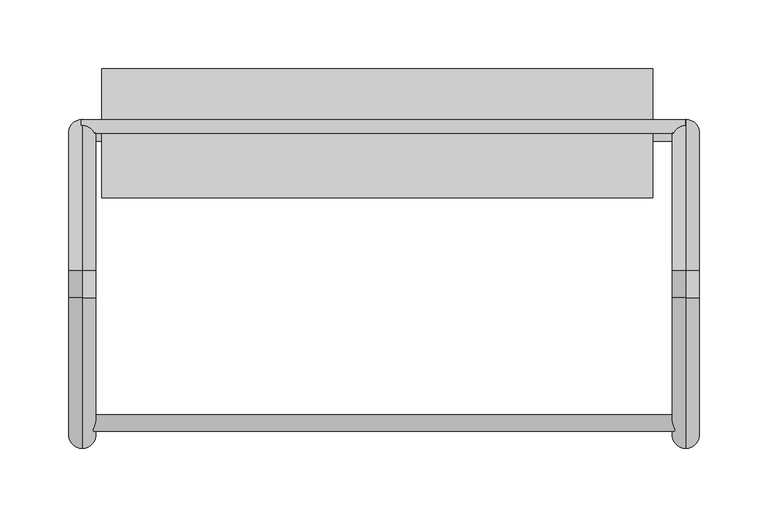
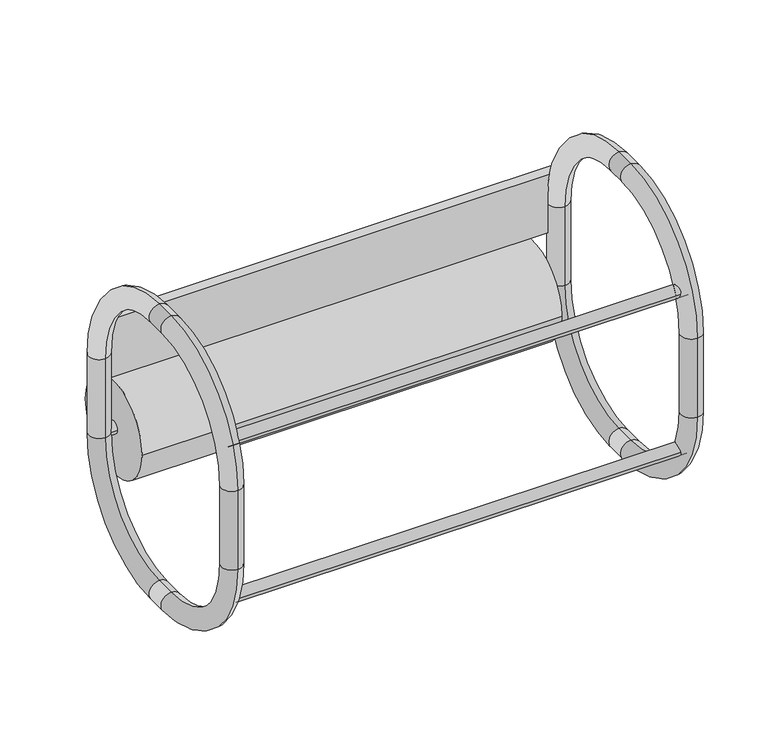
"""IFC4 building model written with IfcOpenShell, lengths in millimetres: proxy geometry."""

from ifc_helpers import new_model, si_unit, point, frame, origin, place, context, project, spatial, circle_curve, ellipse_curve, trimmed, faceted_brep, source, transform, mapped, element, save
from ifc_brep_helpers import plane_surface, cylinder_surface, revolved_surface, advanced_brep


def generic_models_d69f1cd1(model_context):
    return source(origin(), model_context, "Body", "SolidModel", [
        advanced_brep(
        [(-96.1961213, 340.9139359, 1290.2545386), (-96.1961213, 230.9139359, 1180.2545386), (-96.1961213, 230.9139359, 1200.2545386), (-96.1961213, 320.9139359, 1290.2545386), (-96.1961213, 210.9139359, 1180.2545386), (-96.1961213, 100.9139359, 1290.2545386), (-96.1961213, 120.9139359, 1290.2545386), (-96.1961213, 210.9139359, 1200.2545386), (-96.1961213, 100.9139359, 1370.2545386), (-96.1961213, 210.9139359, 1480.2545386), (-96.1961213, 210.9139359, 1460.2545386), (-96.1961213, 120.9139359, 1370.2545386), (-96.1961213, 230.9139359, 1480.2545386), (-96.1961213, 340.9139359, 1370.2545386), (-96.1961213, 320.9139359, 1370.2545386), (-96.1961213, 230.9139359, 1460.2545386)],
        [
            (0, 1, circle_curve(frame((-96.1961213, 230.9139359, 1290.2545386), z_axis=(-0.9999999999999998, 0.0, 0.0), x_axis=(0.0, -1.0, 0.0)), 110.0)),
            (1, 2, circle_curve(frame((-96.1961213, 230.9139359, 1190.2545386), z_axis=(0.0, 1.0, 0.0), x_axis=(0.0, 0.0, -1.0)), 10.0)),
            (2, 3, circle_curve(frame((-96.1961213, 230.9139359, 1290.2545386), z_axis=(0.9999999999999998, 0.0, 0.0), x_axis=(0.0, -1.0, 0.0)), 90.0)),
            (3, 0, circle_curve(frame((-96.1961213, 330.9139359, 1290.2545386), z_axis=(0.0, 0.0, -1.0), x_axis=(0.0, 1.0, 0.0)), 10.0)),
            (4, 5, circle_curve(frame((-96.1961213, 210.9139359, 1290.2545386), z_axis=(-0.9999999999999998, 0.0, 0.0), x_axis=(0.0, -1.0, 0.0)), 110.0)),
            (5, 6, circle_curve(frame((-96.1961213, 110.9139359, 1290.2545386), z_axis=(0.0, 0.0, -1.0), x_axis=(0.0, -1.0, 0.0)), 10.0)),
            (6, 7, circle_curve(frame((-96.1961213, 210.9139359, 1290.2545386), z_axis=(0.9999999999999998, 0.0, 0.0), x_axis=(0.0, -1.0, 0.0)), 90.0)),
            (7, 4, circle_curve(frame((-96.1961213, 210.9139359, 1190.2545386), z_axis=(0.0, -1.0, 0.0), x_axis=(0.0, 0.0, -1.0)), 10.0)),
            (8, 9, circle_curve(frame((-96.1961213, 210.9139359, 1370.2545386), z_axis=(-0.9999999999999998, 0.0, 0.0), x_axis=(0.0, -1.0, 0.0)), 110.0)),
            (9, 10, circle_curve(frame((-96.1961213, 210.9139359, 1470.2545386), z_axis=(0.0, -1.0, 0.0), x_axis=(0.0, 0.0, 1.0)), 10.0)),
            (10, 11, circle_curve(frame((-96.1961213, 210.9139359, 1370.2545386), z_axis=(0.9999999999999998, 0.0, 0.0), x_axis=(0.0, -1.0, 0.0)), 90.0)),
            (11, 8, circle_curve(frame((-96.1961213, 110.9139359, 1370.2545386), z_axis=(0.0, 0.0, 1.0), x_axis=(0.0, -1.0, 0.0)), 10.0)),
            (12, 13, circle_curve(frame((-96.1961213, 230.9139359, 1370.2545386), z_axis=(-0.9999999999999998, 0.0, 0.0), x_axis=(0.0, -1.0, 0.0)), 110.0)),
            (13, 14, circle_curve(frame((-96.1961213, 330.9139359, 1370.2545386), z_axis=(0.0, 0.0, 1.0), x_axis=(0.0, 1.0, 0.0)), 10.0)),
            (14, 15, circle_curve(frame((-96.1961213, 230.9139359, 1370.2545386), z_axis=(0.9999999999999998, 0.0, 0.0), x_axis=(0.0, -1.0, 0.0)), 90.0)),
            (15, 12, circle_curve(frame((-96.1961213, 230.9139359, 1470.2545386), z_axis=(0.0, 1.0, 0.0), x_axis=(0.0, 0.0, 1.0)), 10.0)),
            (1, 4),
            (7, 2),
            (5, 8),
            (11, 6),
            (9, 12),
            (15, 10),
            (13, 0),
            (3, 14),
            (13, 14, circle_curve(frame((-96.1961213, 330.9139359, 1370.2545386), z_axis=(0.0, 0.0, -1.0), x_axis=(0.0, 1.0, 0.0)), 10.0)),
            (3, 0, circle_curve(frame((-96.1961213, 330.9139359, 1290.2545386), z_axis=(0.0, 0.0, 1.0), x_axis=(0.0, 1.0, 0.0)), 10.0)),
            (12, 15, circle_curve(frame((-96.1961213, 230.9139359, 1470.2545386), z_axis=(0.0, 1.0, 0.0), x_axis=(0.0, 0.0, 1.0)), 10.0)),
            (9, 10, circle_curve(frame((-96.1961213, 210.9139359, 1470.2545386), z_axis=(0.0, 1.0, 0.0), x_axis=(0.0, 0.0, 1.0)), 10.0)),
            (8, 11, circle_curve(frame((-96.1961213, 110.9139359, 1370.2545386), z_axis=(0.0, 0.0, 1.0), x_axis=(0.0, -1.0, 0.0)), 10.0)),
            (5, 6, circle_curve(frame((-96.1961213, 110.9139359, 1290.2545386), z_axis=(0.0, 0.0, 1.0), x_axis=(0.0, -1.0, 0.0)), 10.0)),
            (4, 7, circle_curve(frame((-96.1961213, 210.9139359, 1190.2545386), z_axis=(0.0, -1.0, 0.0), x_axis=(0.0, 0.0, -1.0)), 10.0)),
            (1, 2, circle_curve(frame((-96.1961213, 230.9139359, 1190.2545386), z_axis=(0.0, -1.0, 0.0), x_axis=(0.0, 0.0, -1.0)), 10.0)),
        ],
        [
            revolved_surface(trimmed(ellipse_curve(frame((-96.1961213, 130.9139359, 1290.2545386), z_axis=(0.0, 0.0, -1.0), x_axis=(0.0, -1.0, 0.0)), 10.0, 10.0), [point((-96.1961213, 120.9139359, 1290.2545386))], [point((-96.1961213, 140.9139359, 1290.2545386))], True, "CARTESIAN"), (-96.1961213, 230.9139359, 1290.2545386), (-0.9999999999999998, 0.0, 0.0)),
            revolved_surface(trimmed(ellipse_curve(frame((-96.1961213, 110.9139359, 1290.2545386), z_axis=(0.0, 0.0, -1.0), x_axis=(0.0, -1.0, 0.0)), 10.0, 10.0), [point((-96.1961213, 100.9139359, 1290.2545386))], [point((-96.1961213, 120.9139359, 1290.2545386))], True, "CARTESIAN"), (-96.1961213, 210.9139359, 1290.2545386), (-0.9999999999999998, 0.0, 0.0)),
            revolved_surface(trimmed(ellipse_curve(frame((-96.1961213, 110.9139359, 1370.2545386), z_axis=(0.0, 0.0, -1.0), x_axis=(0.0, -1.0, 0.0)), 10.0, 10.0), [point((-96.1961213, 100.9139359, 1370.2545386))], [point((-96.1961213, 120.9139359, 1370.2545386))], True, "CARTESIAN"), (-96.1961213, 210.9139359, 1370.2545386), (-0.9999999999999998, 0.0, 0.0)),
            revolved_surface(trimmed(ellipse_curve(frame((-96.1961213, 130.9139359, 1370.2545386), z_axis=(0.0, 0.0, -1.0), x_axis=(0.0, -1.0, 0.0)), 10.0, 10.0), [point((-96.1961213, 120.9139359, 1370.2545386))], [point((-96.1961213, 140.9139359, 1370.2545386))], True, "CARTESIAN"), (-96.1961213, 230.9139359, 1370.2545386), (-0.9999999999999998, 0.0, 0.0)),
            cylinder_surface(frame((-96.1961213, 230.9139359, 1190.2545386), z_axis=(0.0, -1.0, 0.0), x_axis=(0.0, 0.0, -1.0)), 10.0),
            cylinder_surface(frame((-96.1961213, 110.9139359, 1290.2545386), z_axis=(0.0, 0.0, 1.0), x_axis=(0.0, -1.0, 0.0)), 10.0),
            cylinder_surface(frame((-96.1961213, 210.9139359, 1470.2545386), z_axis=(0.0, 1.0, 0.0), x_axis=(0.0, 0.0, 1.0)), 10.0),
            cylinder_surface(frame((-96.1961213, 330.9139359, 1370.2545386), z_axis=(0.0, 0.0, -1.0), x_axis=(0.0, 1.0, 0.0)), 10.0),
            revolved_surface(trimmed(ellipse_curve(frame((-96.1961213, 130.9139359, 1370.2545386), z_axis=(0.0, 0.0, -1.0), x_axis=(0.0, -1.0, 0.0)), 10.0, 10.0), [point((-96.1961213, 140.9139359, 1370.2545386))], [point((-96.1961213, 120.9139359, 1370.2545386))], True, "CARTESIAN"), (-96.1961213, 230.9139359, 1370.2545386), (-0.9999999999999998, 0.0, 0.0)),
            revolved_surface(trimmed(ellipse_curve(frame((-96.1961213, 110.9139359, 1370.2545386), z_axis=(0.0, 0.0, -1.0), x_axis=(0.0, -1.0, 0.0)), 10.0, 10.0), [point((-96.1961213, 120.9139359, 1370.2545386))], [point((-96.1961213, 100.9139359, 1370.2545386))], True, "CARTESIAN"), (-96.1961213, 210.9139359, 1370.2545386), (-0.9999999999999998, 0.0, 0.0)),
            revolved_surface(trimmed(ellipse_curve(frame((-96.1961213, 110.9139359, 1290.2545386), z_axis=(0.0, 0.0, -1.0), x_axis=(0.0, -1.0, 0.0)), 10.0, 10.0), [point((-96.1961213, 120.9139359, 1290.2545386))], [point((-96.1961213, 100.9139359, 1290.2545386))], True, "CARTESIAN"), (-96.1961213, 210.9139359, 1290.2545386), (-0.9999999999999998, 0.0, 0.0)),
            revolved_surface(trimmed(ellipse_curve(frame((-96.1961213, 130.9139359, 1290.2545386), z_axis=(0.0, 0.0, -1.0), x_axis=(0.0, -1.0, 0.0)), 10.0, 10.0), [point((-96.1961213, 140.9139359, 1290.2545386))], [point((-96.1961213, 120.9139359, 1290.2545386))], True, "CARTESIAN"), (-96.1961213, 230.9139359, 1290.2545386), (-0.9999999999999998, 0.0, 0.0)),
        ],
        [
            (0, [[1, 2, 3, 4]]),
            (1, [[5, 6, 7, 8]]),
            (2, [[9, 10, 11, 12]]),
            (3, [[13, 14, 15, 16]]),
            (4, [[17, -8, 18, -2]]),
            (5, [[19, -12, 20, -6]]),
            (6, [[21, -16, 22, -10]]),
            (7, [[23, -4, 24, -14]]),
            (7, [[-23, 25, -24, 26]]),
            (8, [[-13, 27, -15, -25]]),
            (6, [[-21, 28, -22, -27]]),
            (9, [[-9, 29, -11, -28]]),
            (5, [[-19, 30, -20, -29]]),
            (10, [[-5, 31, -7, -30]]),
            (4, [[-17, 32, -18, -31]]),
            (11, [[-1, -26, -3, -32]]),
        ],
    ),
        advanced_brep(
        [(344.0514009, 340.9139359, 1290.2545386), (344.0514009, 230.9139359, 1180.2545386), (344.0514009, 230.9139359, 1200.2545386), (344.0514009, 320.9139359, 1290.2545386), (344.0514009, 210.9139359, 1180.2545386), (344.0514009, 100.9139359, 1290.2545386), (344.0514009, 120.9139359, 1290.2545386), (344.0514009, 210.9139359, 1200.2545386), (344.0514009, 100.9139359, 1370.2545386), (344.0514009, 210.9139359, 1480.2545386), (344.0514009, 210.9139359, 1460.2545386), (344.0514009, 120.9139359, 1370.2545386), (344.0514009, 230.9139359, 1480.2545386), (344.0514009, 340.9139359, 1370.2545386), (344.0514009, 320.9139359, 1370.2545386), (344.0514009, 230.9139359, 1460.2545386)],
        [
            (0, 1, circle_curve(frame((344.0514009, 230.9139359, 1290.2545386), z_axis=(-0.9999999999999998, 0.0, 0.0), x_axis=(0.0, -1.0, 0.0)), 110.0)),
            (1, 2, circle_curve(frame((344.0514009, 230.9139359, 1190.2545386), z_axis=(0.0, 1.0, 0.0), x_axis=(0.0, 0.0, -1.0)), 10.0)),
            (2, 3, circle_curve(frame((344.0514009, 230.9139359, 1290.2545386), z_axis=(0.9999999999999998, 0.0, 0.0), x_axis=(0.0, -1.0, 0.0)), 90.0)),
            (3, 0, circle_curve(frame((344.0514009, 330.9139359, 1290.2545386), z_axis=(0.0, 0.0, -1.0), x_axis=(0.0, 1.0, 0.0)), 10.0)),
            (4, 5, circle_curve(frame((344.0514009, 210.9139359, 1290.2545386), z_axis=(-0.9999999999999998, 0.0, 0.0), x_axis=(0.0, -1.0, 0.0)), 110.0)),
            (5, 6, circle_curve(frame((344.0514009, 110.9139359, 1290.2545386), z_axis=(0.0, 0.0, -1.0), x_axis=(0.0, -1.0, 0.0)), 10.0)),
            (6, 7, circle_curve(frame((344.0514009, 210.9139359, 1290.2545386), z_axis=(0.9999999999999998, 0.0, 0.0), x_axis=(0.0, -1.0, 0.0)), 90.0)),
            (7, 4, circle_curve(frame((344.0514009, 210.9139359, 1190.2545386), z_axis=(0.0, -1.0, 0.0), x_axis=(0.0, 0.0, -1.0)), 10.0)),
            (8, 9, circle_curve(frame((344.0514009, 210.9139359, 1370.2545386), z_axis=(-0.9999999999999998, 0.0, 0.0), x_axis=(0.0, -1.0, 0.0)), 110.0)),
            (9, 10, circle_curve(frame((344.0514009, 210.9139359, 1470.2545386), z_axis=(0.0, -1.0, 0.0), x_axis=(0.0, 0.0, 1.0)), 10.0)),
            (10, 11, circle_curve(frame((344.0514009, 210.9139359, 1370.2545386), z_axis=(0.9999999999999998, 0.0, 0.0), x_axis=(0.0, -1.0, 0.0)), 90.0)),
            (11, 8, circle_curve(frame((344.0514009, 110.9139359, 1370.2545386), z_axis=(0.0, 0.0, 1.0), x_axis=(0.0, -1.0, 0.0)), 10.0)),
            (12, 13, circle_curve(frame((344.0514009, 230.9139359, 1370.2545386), z_axis=(-0.9999999999999998, 0.0, 0.0), x_axis=(0.0, -1.0, 0.0)), 110.0)),
            (13, 14, circle_curve(frame((344.0514009, 330.9139359, 1370.2545386), z_axis=(0.0, 0.0, 1.0), x_axis=(0.0, 1.0, 0.0)), 10.0)),
            (14, 15, circle_curve(frame((344.0514009, 230.9139359, 1370.2545386), z_axis=(0.9999999999999998, 0.0, 0.0), x_axis=(0.0, -1.0, 0.0)), 90.0)),
            (15, 12, circle_curve(frame((344.0514009, 230.9139359, 1470.2545386), z_axis=(0.0, 1.0, 0.0), x_axis=(0.0, 0.0, 1.0)), 10.0)),
            (1, 4),
            (7, 2),
            (5, 8),
            (11, 6),
            (9, 12),
            (15, 10),
            (13, 0),
            (3, 14),
            (13, 14, circle_curve(frame((344.0514009, 330.9139359, 1370.2545386), z_axis=(0.0, 0.0, -1.0), x_axis=(0.0, 1.0, 0.0)), 10.0)),
            (3, 0, circle_curve(frame((344.0514009, 330.9139359, 1290.2545386), z_axis=(0.0, 0.0, 1.0), x_axis=(0.0, 1.0, 0.0)), 10.0)),
            (12, 15, circle_curve(frame((344.0514009, 230.9139359, 1470.2545386), z_axis=(0.0, 1.0, 0.0), x_axis=(0.0, 0.0, 1.0)), 10.0)),
            (9, 10, circle_curve(frame((344.0514009, 210.9139359, 1470.2545386), z_axis=(0.0, 1.0, 0.0), x_axis=(0.0, 0.0, 1.0)), 10.0)),
            (8, 11, circle_curve(frame((344.0514009, 110.9139359, 1370.2545386), z_axis=(0.0, 0.0, 1.0), x_axis=(0.0, -1.0, 0.0)), 10.0)),
            (5, 6, circle_curve(frame((344.0514009, 110.9139359, 1290.2545386), z_axis=(0.0, 0.0, 1.0), x_axis=(0.0, -1.0, 0.0)), 10.0)),
            (4, 7, circle_curve(frame((344.0514009, 210.9139359, 1190.2545386), z_axis=(0.0, -1.0, 0.0), x_axis=(0.0, 0.0, -1.0)), 10.0)),
            (1, 2, circle_curve(frame((344.0514009, 230.9139359, 1190.2545386), z_axis=(0.0, -1.0, 0.0), x_axis=(0.0, 0.0, -1.0)), 10.0)),
        ],
        [
            revolved_surface(trimmed(ellipse_curve(frame((344.0514009, 130.9139359, 1290.2545386), z_axis=(0.0, 0.0, -1.0), x_axis=(0.0, -1.0, 0.0)), 10.0, 10.0), [point((344.0514009, 120.9139359, 1290.2545386))], [point((344.0514009, 140.9139359, 1290.2545386))], True, "CARTESIAN"), (344.0514009, 230.9139359, 1290.2545386), (-0.9999999999999998, 0.0, 0.0)),
            revolved_surface(trimmed(ellipse_curve(frame((344.0514009, 110.9139359, 1290.2545386), z_axis=(0.0, 0.0, -1.0), x_axis=(0.0, -1.0, 0.0)), 10.0, 10.0), [point((344.0514009, 100.9139359, 1290.2545386))], [point((344.0514009, 120.9139359, 1290.2545386))], True, "CARTESIAN"), (344.0514009, 210.9139359, 1290.2545386), (-0.9999999999999998, 0.0, 0.0)),
            revolved_surface(trimmed(ellipse_curve(frame((344.0514009, 110.9139359, 1370.2545386), z_axis=(0.0, 0.0, -1.0), x_axis=(0.0, -1.0, 0.0)), 10.0, 10.0), [point((344.0514009, 100.9139359, 1370.2545386))], [point((344.0514009, 120.9139359, 1370.2545386))], True, "CARTESIAN"), (344.0514009, 210.9139359, 1370.2545386), (-0.9999999999999998, 0.0, 0.0)),
            revolved_surface(trimmed(ellipse_curve(frame((344.0514009, 130.9139359, 1370.2545386), z_axis=(0.0, 0.0, -1.0), x_axis=(0.0, -1.0, 0.0)), 10.0, 10.0), [point((344.0514009, 120.9139359, 1370.2545386))], [point((344.0514009, 140.9139359, 1370.2545386))], True, "CARTESIAN"), (344.0514009, 230.9139359, 1370.2545386), (-0.9999999999999998, 0.0, 0.0)),
            cylinder_surface(frame((344.0514009, 230.9139359, 1190.2545386), z_axis=(0.0, -1.0, 0.0), x_axis=(0.0, 0.0, -1.0)), 10.0),
            cylinder_surface(frame((344.0514009, 110.9139359, 1290.2545386), z_axis=(0.0, 0.0, 1.0), x_axis=(0.0, -1.0, 0.0)), 10.0),
            cylinder_surface(frame((344.0514009, 210.9139359, 1470.2545386), z_axis=(0.0, 1.0, 0.0), x_axis=(0.0, 0.0, 1.0)), 10.0),
            cylinder_surface(frame((344.0514009, 330.9139359, 1370.2545386), z_axis=(0.0, 0.0, -1.0), x_axis=(0.0, 1.0, 0.0)), 10.0),
            revolved_surface(trimmed(ellipse_curve(frame((344.0514009, 130.9139359, 1370.2545386), z_axis=(0.0, 0.0, -1.0), x_axis=(0.0, -1.0, 0.0)), 10.0, 10.0), [point((344.0514009, 140.9139359, 1370.2545386))], [point((344.0514009, 120.9139359, 1370.2545386))], True, "CARTESIAN"), (344.0514009, 230.9139359, 1370.2545386), (-0.9999999999999998, 0.0, 0.0)),
            revolved_surface(trimmed(ellipse_curve(frame((344.0514009, 110.9139359, 1370.2545386), z_axis=(0.0, 0.0, -1.0), x_axis=(0.0, -1.0, 0.0)), 10.0, 10.0), [point((344.0514009, 120.9139359, 1370.2545386))], [point((344.0514009, 100.9139359, 1370.2545386))], True, "CARTESIAN"), (344.0514009, 210.9139359, 1370.2545386), (-0.9999999999999998, 0.0, 0.0)),
            revolved_surface(trimmed(ellipse_curve(frame((344.0514009, 110.9139359, 1290.2545386), z_axis=(0.0, 0.0, -1.0), x_axis=(0.0, -1.0, 0.0)), 10.0, 10.0), [point((344.0514009, 120.9139359, 1290.2545386))], [point((344.0514009, 100.9139359, 1290.2545386))], True, "CARTESIAN"), (344.0514009, 210.9139359, 1290.2545386), (-0.9999999999999998, 0.0, 0.0)),
            revolved_surface(trimmed(ellipse_curve(frame((344.0514009, 130.9139359, 1290.2545386), z_axis=(0.0, 0.0, -1.0), x_axis=(0.0, -1.0, 0.0)), 10.0, 10.0), [point((344.0514009, 140.9139359, 1290.2545386))], [point((344.0514009, 120.9139359, 1290.2545386))], True, "CARTESIAN"), (344.0514009, 230.9139359, 1290.2545386), (-0.9999999999999998, 0.0, 0.0)),
        ],
        [
            (0, [[1, 2, 3, 4]]),
            (1, [[5, 6, 7, 8]]),
            (2, [[9, 10, 11, 12]]),
            (3, [[13, 14, 15, 16]]),
            (4, [[17, -8, 18, -2]]),
            (5, [[19, -12, 20, -6]]),
            (6, [[21, -16, 22, -10]]),
            (7, [[23, -4, 24, -14]]),
            (7, [[-23, 25, -24, 26]]),
            (8, [[-13, 27, -15, -25]]),
            (6, [[-21, 28, -22, -27]]),
            (9, [[-9, 29, -11, -28]]),
            (5, [[-19, 30, -20, -29]]),
            (10, [[-5, 31, -7, -30]]),
            (4, [[-17, 32, -18, -31]]),
            (11, [[-1, -26, -3, -32]]),
        ],
    ),
        advanced_brep(
        [(343.8038787, 125.262422, 1410.2545386), (-96.9377785, 125.262422, 1410.2545386), (-96.9377785, 113.262422, 1410.2545386), (343.8038787, 113.262422, 1410.2545386)],
        [
            (0, 1),
            (1, 2, circle_curve(frame((-96.9377785, 119.262422, 1410.2545386), z_axis=(0.9999999999999998, 0.0, 0.0), x_axis=(0.0, 1.0, 0.0)), 6.0)),
            (2, 3),
            (3, 0, circle_curve(frame((343.8038787, 119.262422, 1410.2545386), z_axis=(-0.9999999999999998, 0.0, 0.0), x_axis=(0.0, 1.0, 0.0)), 6.0)),
            (0, 3, circle_curve(frame((343.8038787, 119.262422, 1410.2545386), z_axis=(-0.9999999999999998, 0.0, 0.0), x_axis=(0.0, 1.0, 0.0)), 6.0)),
            (2, 1, circle_curve(frame((-96.9377785, 119.262422, 1410.2545386), z_axis=(0.9999999999999998, 0.0, 0.0), x_axis=(0.0, 1.0, 0.0)), 6.0)),
        ],
        [
            cylinder_surface(frame((343.8038787, 119.262422, 1410.2545386), z_axis=(-0.9999999999999998, 0.0, 0.0), x_axis=(0.0, 1.0, 0.0)), 6.0),
            plane_surface(frame((-96.9377785, 119.262422, 1410.2545386), z_axis=(-0.9999999999999998, 0.0, 0.0), x_axis=(0.0, -1.0, 0.0))),
            plane_surface(frame((343.8038787, 119.262422, 1410.2545386), z_axis=(0.9999999999999998, 0.0, 0.0), x_axis=(0.0, -1.0, 0.0))),
        ],
        [
            (0, [[1, 2, 3, 4]]),
            (0, [[-1, 5, -3, 6]]),
            (1, [[-2, -6]]),
            (2, [[-4, -5]]),
        ],
    ),
        advanced_brep(
        [(343.8038787, 125.262422, 1250.2545386), (-97.5093118, 125.262422, 1250.2545386), (-97.5093118, 113.262422, 1250.2545386), (343.8038787, 113.262422, 1250.2545386)],
        [
            (0, 1),
            (1, 2, circle_curve(frame((-97.5093118, 119.262422, 1250.2545386), z_axis=(0.9999999999999998, 0.0, 0.0), x_axis=(0.0, 1.0, 0.0)), 6.0)),
            (2, 3),
            (3, 0, circle_curve(frame((343.8038787, 119.262422, 1250.2545386), z_axis=(-0.9999999999999998, 0.0, 0.0), x_axis=(0.0, 1.0, 0.0)), 6.0)),
            (0, 3, circle_curve(frame((343.8038787, 119.262422, 1250.2545386), z_axis=(-0.9999999999999998, 0.0, 0.0), x_axis=(0.0, 1.0, 0.0)), 6.0)),
            (2, 1, circle_curve(frame((-97.5093118, 119.262422, 1250.2545386), z_axis=(0.9999999999999998, 0.0, 0.0), x_axis=(0.0, 1.0, 0.0)), 6.0)),
        ],
        [
            cylinder_surface(frame((343.8038787, 119.262422, 1250.2545386), z_axis=(-0.9999999999999998, 0.0, 0.0), x_axis=(0.0, 1.0, 0.0)), 6.0),
            plane_surface(frame((-97.5093118, 119.262422, 1250.2545386), z_axis=(-0.9999999999999998, 0.0, 0.0), x_axis=(0.0, -1.0, 0.0))),
            plane_surface(frame((343.8038787, 119.262422, 1250.2545386), z_axis=(0.9999999999999998, 0.0, 0.0), x_axis=(0.0, -1.0, 0.0))),
        ],
        [
            (0, [[1, 2, 3, 4]]),
            (0, [[-1, 5, -3, 6]]),
            (1, [[-2, -6]]),
            (2, [[-4, -5]]),
        ],
    ),
        faceted_brep([(-96.9822486, 340.7551894, 1341.3270702), (343.8038787, 340.7551894, 1341.3270702), (343.8038787, 330.7551894, 1341.3270702), (-96.9822486, 330.7551894, 1341.3270702), (-96.9822486, 340.7551894, 1400.0), (-96.9822486, 330.7551894, 1400.0), (343.8038787, 340.7551894, 1400.0), (343.8038787, 330.7551894, 1400.0)], [[[0, 1, 2, 3]], [[4, 0, 3, 5]], [[6, 4, 5, 7]], [[1, 6, 7, 2]], [[6, 1, 0, 4]], [[2, 7, 5, 3]]]),
        advanced_brep(
        [(-96.1961213, 324.9139359, 1290.2545386), (344.7072056, 324.9139359, 1290.2545386), (344.7072056, 336.9139359, 1290.2545386), (-96.1961213, 336.9139359, 1290.2545386)],
        [
            (0, 1),
            (1, 2, circle_curve(frame((344.7072056, 330.9139359, 1290.2545386), z_axis=(-0.9999999999999998, 0.0, 0.0), x_axis=(0.0, -1.0, 0.0)), 6.0)),
            (2, 3),
            (3, 0, circle_curve(frame((-96.1961213, 330.9139359, 1290.2545386), z_axis=(0.9999999999999998, 0.0, 0.0), x_axis=(0.0, -1.0, 0.0)), 6.0)),
            (0, 3, circle_curve(frame((-96.1961213, 330.9139359, 1290.2545386), z_axis=(0.9999999999999998, 0.0, 0.0), x_axis=(0.0, -1.0, 0.0)), 6.0)),
            (2, 1, circle_curve(frame((344.7072056, 330.9139359, 1290.2545386), z_axis=(-0.9999999999999998, 0.0, 0.0), x_axis=(0.0, -1.0, 0.0)), 6.0)),
        ],
        [
            cylinder_surface(frame((-96.1961213, 330.9139359, 1290.2545386), z_axis=(0.9999999999999998, 0.0, 0.0), x_axis=(0.0, -1.0, 0.0)), 6.0),
            plane_surface(frame((344.7072056, 330.9139359, 1290.2545386), z_axis=(0.9999999999999998, 0.0, 0.0), x_axis=(0.0, -1.0, 0.0))),
            plane_surface(frame((-96.1961213, 330.9139359, 1290.2545386), z_axis=(-0.9999999999999998, 0.0, 0.0), x_axis=(0.0, -1.0, 0.0))),
        ],
        [
            (0, [[1, 2, 3, 4]]),
            (0, [[-1, 5, -3, 6]]),
            (1, [[-2, -6]]),
            (2, [[-4, -5]]),
        ],
    ),
        advanced_brep(
        [(-82.1273484, 283.8736784, 1290.2545386), (319.9718589, 283.8736784, 1290.2545386), (319.9718589, 377.9541933, 1290.2545386), (-82.1273484, 377.9541933, 1290.2545386)],
        [
            (0, 1),
            (1, 2, circle_curve(frame((319.9718589, 330.9139359, 1290.2545386), z_axis=(-0.9999999999999998, 0.0, 0.0), x_axis=(0.0, -1.0, 0.0)), 47.0402575)),
            (2, 3),
            (3, 0, circle_curve(frame((-82.1273484, 330.9139359, 1290.2545386), z_axis=(0.9999999999999998, 0.0, 0.0), x_axis=(0.0, -1.0, 0.0)), 47.0402575)),
            (0, 3, circle_curve(frame((-82.1273484, 330.9139359, 1290.2545386), z_axis=(0.9999999999999998, 0.0, 0.0), x_axis=(0.0, -1.0, 0.0)), 47.0402575)),
            (2, 1, circle_curve(frame((319.9718589, 330.9139359, 1290.2545386), z_axis=(-0.9999999999999998, 0.0, 0.0), x_axis=(0.0, -1.0, 0.0)), 47.0402575)),
        ],
        [
            cylinder_surface(frame((-82.1273484, 330.9139359, 1290.2545386), z_axis=(0.9999999999999998, 0.0, 0.0), x_axis=(0.0, -1.0, 0.0)), 47.0402575),
            plane_surface(frame((319.9718589, 330.9139359, 1290.2545386), z_axis=(0.9999999999999998, 0.0, 0.0), x_axis=(0.0, -1.0, 0.0))),
            plane_surface(frame((-82.1273484, 330.9139359, 1290.2545386), z_axis=(-0.9999999999999998, 0.0, 0.0), x_axis=(0.0, -1.0, 0.0))),
        ],
        [
            (0, [[1, 2, 3, 4]]),
            (0, [[-1, 5, -3, 6]]),
            (1, [[-2, -6]]),
            (2, [[-4, -5]]),
        ],
    ),
    ])


if __name__ == "__main__":
    model = new_model("IFC4")
    model_context = context("Model", 3, world=origin())
    ifc_project = project(units=[si_unit("LENGTHUNIT", "METRE", prefix="MILLI")], contexts=[model_context])
    site = spatial("IfcSite", under=ifc_project)
    building = spatial("IfcBuilding", under=site)
    placement = place(None, origin())
    generic_models_shape = generic_models_d69f1cd1(model_context)
    element("IfcBuildingElementProxy", 1, Name="Generic Models", at=placement, inside=building, context=model_context, shape_type="MappedRepresentation", body=[
        mapped(generic_models_shape, transform((0.0, 0.0, 0.0), x_axis=(1.0, 0.0, 0.0), y_axis=(0.0, 1.0, 0.0), z_axis=(0.0, 0.0, 1.0))),
    ])
    save(model, "model.ifc")
